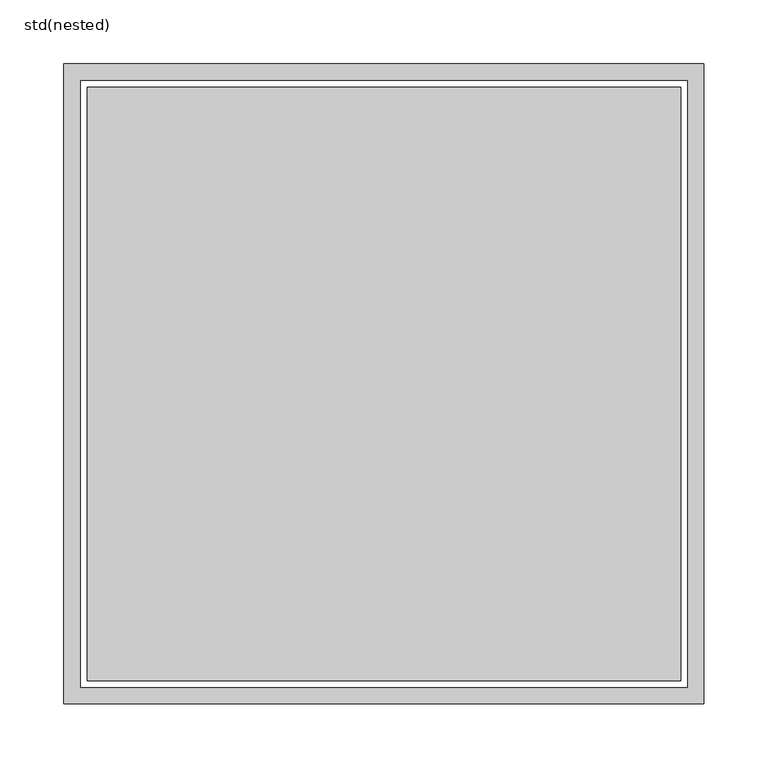
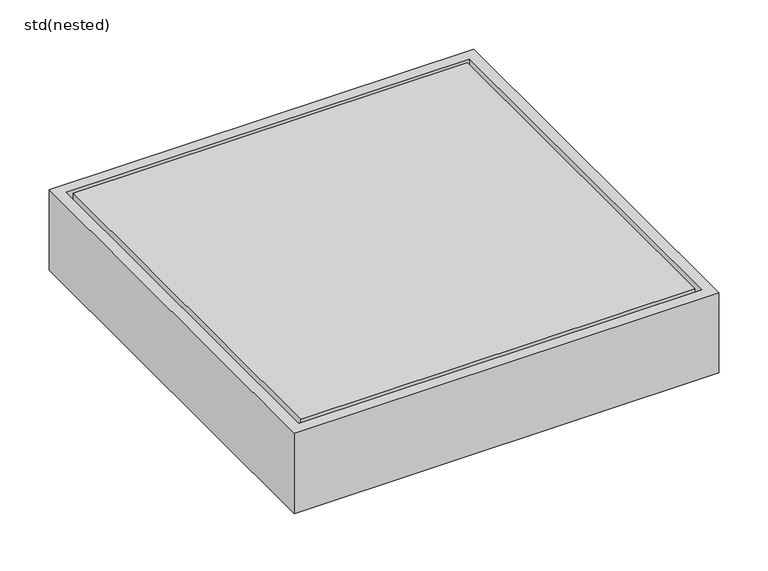
"""IFC4 building model written with IfcOpenShell, lengths in millimetres: sanitary terminal geometry, std(nested)."""

from ifc_helpers import new_model, si_unit, point, frame, origin, origin_2d, place, context, project, spatial, polyline, circle_curve, trimmed, segment, composite_curve, outline, extrude, source, transform, mapped, element, save


def std_nested_dfff902a(model_context):
    return source(origin(), model_context, "Body", "SweptSolid", [
        extrude(outline(composite_curve([segment(trimmed(circle_curve(origin_2d(), 192.5), [point((192.5, 0.0))], [point((-192.5, 0.0))], False, "CARTESIAN"), True, "CONTINUOUS"), segment(trimmed(circle_curve(origin_2d(), 192.5), [point((-192.5, 0.0))], [point((192.5, 0.0))], False, "CARTESIAN"), True, "CONTINUOUS")], self_intersect=False), holes=[composite_curve([segment(trimmed(circle_curve(origin_2d(), 175.0), [point((175.0, 0.0))], [point((-175.0, 0.0))], True, "CARTESIAN"), True, "CONTINUOUS"), segment(trimmed(circle_curve(origin_2d(), 175.0), [point((-175.0, 0.0))], [point((175.0, 0.0))], True, "CARTESIAN"), True, "CONTINUOUS")], self_intersect=False)]), frame((0.0, 0.0, -110.0), z_axis=(0.0, 0.0, 1.0), x_axis=(1.0, 0.0, 0.0)), (0.0, 0.0, 1.0), 10.0),
        extrude(outline(polyline([(250.0, 250.0), (250.0, -250.0), (-250.0, -250.0), (-250.0, 250.0), (250.0, 250.0)]), holes=[polyline([(237.0, 237.0), (-237.0, 237.0), (-237.0, -237.0), (237.0, -237.0), (237.0, 237.0)])]), frame((0.0, 0.0, -100.0), z_axis=(0.0, 0.0, 1.0), x_axis=(1.0, 0.0, 0.0)), (0.0, 0.0, 1.0), 100.0),
        extrude(outline(polyline([(232.0, 232.0), (232.0, -232.0), (-232.0, -232.0), (-232.0, 232.0), (232.0, 232.0)])), frame((0.0, 0.0, -100.0), z_axis=(0.0, 0.0, 1.0), x_axis=(1.0, 0.0, 0.0)), (0.0, 0.0, 1.0), 100.0),
    ])


if __name__ == "__main__":
    model = new_model("IFC4")
    model_context = context("Model", 3, world=origin())
    ifc_project = project(units=[si_unit("LENGTHUNIT", "METRE", prefix="MILLI")], contexts=[model_context])
    site = spatial("IfcSite", under=ifc_project)
    building = spatial("IfcBuilding", under=site)
    placement = place(None, origin())
    std_nested_shape = std_nested_dfff902a(model_context)
    element("IfcSanitaryTerminal", 1, ObjectType="std(nested)", at=placement, inside=building, context=model_context, shape_type="MappedRepresentation", body=[
        mapped(std_nested_shape, transform((0.0, 0.0, 0.0), x_axis=(1.0, 0.0, 0.0), y_axis=(0.0, 1.0, 0.0), z_axis=(0.0, 0.0, 1.0))),
    ])
    save(model, "model.ifc")
